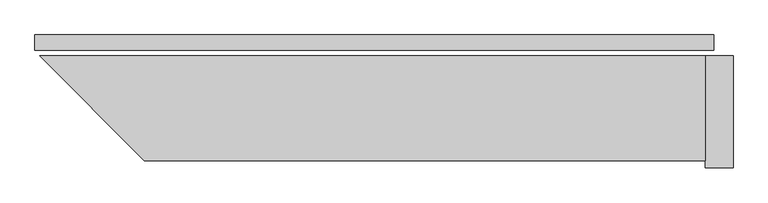
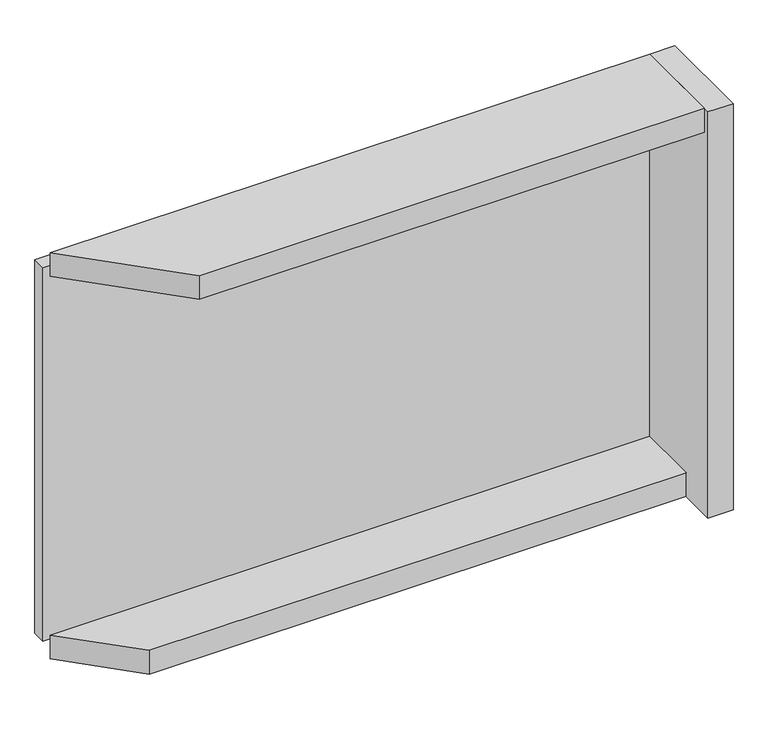
"""IFC4 building model written with IfcOpenShell, lengths in millimetres: plate geometry."""

from ifc_helpers import new_model, si_unit, frame, origin, origin_with_axes, place, context, project, spatial, polyline, outline, extrude, source, transform, mapped, element, save


def plate_2a87ee71(model_context):
    return source(origin(), model_context, "Body", "SweptSolid", [
        extrude(outline(polyline([(972.0, 0.0), (972.0, -44.0), (-972.0, -44.0), (-972.0, 0.0), (972.0, 0.0)])), origin_with_axes(), (0.0, 0.0, 1.0), 1254.465707),
        extrude(outline(polyline([(947.0, -260.0), (-758.4314575, -260.0), (-958.4314575, -60.0), (947.0, -60.0), (947.0, -260.0)])), frame((0.0, 0.0, -55.0), z_axis=(0.0, 0.0, 1.0), x_axis=(1.0, 0.0, 0.0)), (0.0, 0.0, 1.0), 80.0),
        extrude(outline(polyline([(947.0, -360.0), (-658.4314575, -360.0), (-958.4314575, -60.0), (947.0, -60.0), (947.0, -360.0)])), frame((0.0, 0.0, 1229.465707), z_axis=(0.0, 0.0, 1.0), x_axis=(1.0, 0.0, 0.0)), (0.0, 0.0, 1.0), 80.0),
        extrude(outline(polyline([(1027.0, -60.0), (1027.0, -380.0), (947.0, -380.0), (947.0, -60.0), (1027.0, -60.0)])), frame((0.0, 0.0, -55.0), z_axis=(0.0, 0.0, 1.0), x_axis=(1.0, 0.0, 0.0)), (0.0, 0.0, 1.0), 1364.465707),
    ])


if __name__ == "__main__":
    model = new_model("IFC4")
    model_context = context("Model", 3, world=origin())
    ifc_project = project(units=[si_unit("LENGTHUNIT", "METRE", prefix="MILLI")], contexts=[model_context])
    site = spatial("IfcSite", under=ifc_project)
    building = spatial("IfcBuilding", under=site)
    placement = place(None, origin())
    plate_shape = plate_2a87ee71(model_context)
    element("IfcPlate", 1, at=placement, inside=building, context=model_context, shape_type="MappedRepresentation", body=[
        mapped(plate_shape, transform((0.0, 0.0, 0.0), x_axis=(1.0, 0.0, 0.0), y_axis=(0.0, 1.0, 0.0), z_axis=(0.0, 0.0, 1.0))),
    ])
    save(model, "model.ifc")
